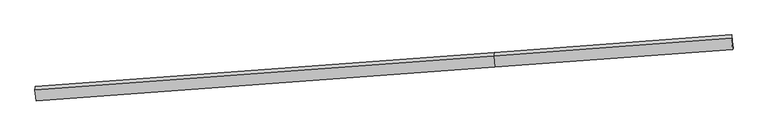
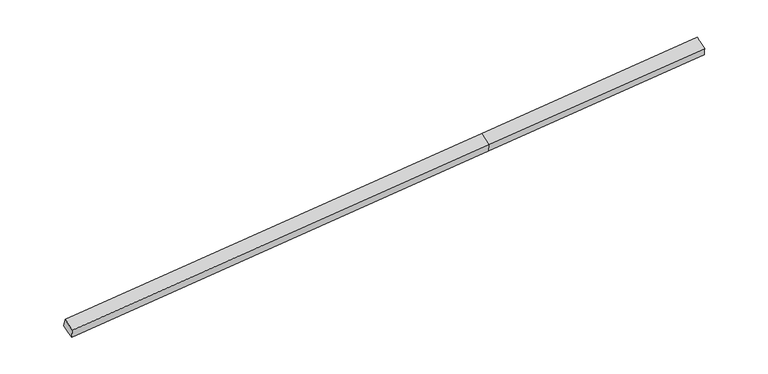
"""IFC4 building model written with IfcOpenShell, lengths in millimetres: proxy geometry."""

from ifc_helpers import new_model, si_unit, frame, origin, place, context, project, spatial, source, transform, mapped, element, save
from ifc_brep_helpers import plane_surface, spline_surface, advanced_brep


def generic_models_6cec849c(model_context):
    return source(origin(), model_context, "Body", "AdvancedBrep", [
        advanced_brep(
        [(-13658.2916182, -2444.51973, 1117.867412), (-13669.3635038, -2565.9568654, 1465.5515765), (2580.6866466, -1375.3141497, 2394.1742314), (2589.4064092, -1237.3883285, 2065.4812948), (-13635.8977025, -2667.9474461, 1023.273655), (2612.3600258, -1465.9647745, 1967.9582195), (-13613.5037867, -2891.3751622, 928.679898), (2635.3136423, -1694.5412206, 1870.4351441), (-13627.2781274, -2956.2596773, 1249.3839883), (2621.7646991, -1756.274967, 2183.180668), (11052.7887961, -1078.1942296, 2357.9659153), (11028.991197, -845.2143987, 2464.2666824), (11005.193598, -612.2345678, 2570.5674495), (10996.5145434, -725.5805294, 2866.6667895), (11040.2676773, -1137.1753991, 2649.491594)],
        [
            (0, 1),
            (1, 2),
            (2, 3),
            (3, 0),
            (4, 0),
            (0, 5),
            (5, 4),
            (6, 4),
            (5, 7),
            (7, 6),
            (8, 6),
            (7, 9),
            (9, 8),
            (1, 8),
            (9, 2),
            (10, 11),
            (11, 12),
            (12, 13),
            (13, 14),
            (14, 10),
            (3, 5),
            (5, 11),
            (10, 7),
            (3, 12),
            (2, 13),
            (9, 14),
        ],
        [
            spline_surface(1, 1, [[(-13658.2916182, -2444.51973, 1117.867412), (2589.4064092, -1237.3883285, 2065.4812948)], [(-13669.3635038, -2565.9568654, 1465.5515765), (2580.6866466, -1375.3141497, 2394.1742314)]], [2, 2], [2, 2], [0.0, 1.0], [0.0, 1.0]),
            plane_surface(frame((-13647.0946604, -2556.233588, 1070.5705335), z_axis=(0.024485986149615988, 0.39183623398734946, -0.9197090856444182), x_axis=(-0.09190701709225907, 0.9169711611633399, 0.3882228610012029))),
            spline_surface(1, 1, [[(-13613.5037867, -2891.3751622, 928.679898), (2635.3136423, -1694.5412206, 1870.4351441)], [(-13635.8977025, -2667.9474461, 1023.273655), (2612.3600258, -1465.9647745, 1967.9582195)]], [2, 2], [2, 2], [0.0, 1.0], [0.0, 1.0]),
            spline_surface(1, 1, [[(-13627.2781274, -2956.2596773, 1249.3839883), (2621.7646991, -1756.274967, 2183.180668)], [(-13613.5037867, -2891.3751622, 928.679898), (2635.3136423, -1694.5412206, 1870.4351441)]], [2, 2], [2, 2], [0.0, 1.0], [0.0, 1.0]),
            plane_surface(frame((-13648.3208156, -2761.1082714, 1357.4677824), z_axis=(-0.014365475570702384, -0.48563456007297046, 0.8740438817212556), x_axis=(0.09390972159807662, -0.8709255218919367, -0.4823584761426189))),
            plane_surface(frame((11023.6911537, -888.2961815, 2611.1729371), z_axis=(0.9954793660660449, 0.07522995550008958, 0.057976594693029536), x_axis=(-0.09252989523196914, 0.9058728703332354, 0.41331895829079285))),
            plane_surface(frame((-13642.109259, -2714.5278587, 1190.3707187), z_axis=(-0.9954793660660446, -0.07522995550009474, -0.05797659469303004), x_axis=(0.0300500722935683, 0.32959107904662444, -0.94364543858805))),
            plane_surface(frame((-13658.2916182, -2444.51973, 1117.867412), z_axis=(0.024276885593534116, 0.39437469845845025, -0.9186289947751949), x_axis=(-0.09197293575529832, 0.9158838529602614, 0.39076559082807955))),
            spline_surface(1, 1, [[(2635.3136423, -1694.5412206, 1870.4351441), (11052.7887961, -1078.1942296, 2357.9659153)], [(2612.3600258, -1465.9647745, 1967.9582195), (11028.991197, -845.2143987, 2464.2666824)]], [2, 2], [2, 2], [0.0, 1.0], [0.0, 1.0]),
            spline_surface(1, 1, [[(2612.3600258, -1465.9647745, 1967.9582195), (11028.991197, -845.2143987, 2464.2666824)], [(2589.4064092, -1237.3883285, 2065.4812948), (11005.193598, -612.2345678, 2570.5674495)]], [2, 2], [2, 2], [0.0, 1.0], [0.0, 1.0]),
            spline_surface(1, 1, [[(2589.4064092, -1237.3883285, 2065.4812948), (11005.193598, -612.2345678, 2570.5674495)], [(2580.6866466, -1375.3141497, 2394.1742314), (10996.5145434, -725.5805294, 2866.6667895)]], [2, 2], [2, 2], [0.0, 1.0], [0.0, 1.0]),
            spline_surface(1, 1, [[(2580.6866466, -1375.3141497, 2394.1742314), (10996.5145434, -725.5805294, 2866.6667895)], [(2621.7646991, -1756.274967, 2183.180668), (11040.2676773, -1137.1753991, 2649.491594)]], [2, 2], [2, 2], [0.0, 1.0], [0.0, 1.0]),
            spline_surface(1, 1, [[(2621.7646991, -1756.274967, 2183.180668), (11040.2676773, -1137.1753991, 2649.491594)], [(2635.3136423, -1694.5412206, 1870.4351441), (11052.7887961, -1078.1942296, 2357.9659153)]], [2, 2], [2, 2], [0.0, 1.0], [0.0, 1.0]),
        ],
        [
            (0, [[1, 2, 3, 4]]),
            (1, [[5, 6, 7]]),
            (2, [[8, -7, 9, 10]]),
            (3, [[11, -10, 12, 13]]),
            (4, [[14, -13, 15, -2]]),
            (5, [[16, 17, 18, 19, 20]]),
            (6, [[-1, -5, -8, -11, -14]]),
            (7, [[21, -6, -4]]),
            (8, [[-9, 22, -16, 23]]),
            (9, [[-21, 24, -17, -22]]),
            (10, [[-3, 25, -18, -24]]),
            (11, [[-15, 26, -19, -25]]),
            (12, [[-12, -23, -20, -26]]),
        ],
    ),
    ])


if __name__ == "__main__":
    model = new_model("IFC4")
    model_context = context("Model", 3, world=origin())
    ifc_project = project(units=[si_unit("LENGTHUNIT", "METRE", prefix="MILLI")], contexts=[model_context])
    site = spatial("IfcSite", under=ifc_project)
    building = spatial("IfcBuilding", under=site)
    placement = place(None, origin())
    generic_models_shape = generic_models_6cec849c(model_context)
    element("IfcBuildingElementProxy", 1, Name="Generic Models", at=placement, inside=building, context=model_context, shape_type="MappedRepresentation", body=[
        mapped(generic_models_shape, transform((0.0, 0.0, 0.0), x_axis=(1.0, 0.0, 0.0), y_axis=(0.0, 1.0, 0.0), z_axis=(0.0, 0.0, 1.0))),
    ])
    save(model, "model.ifc")
